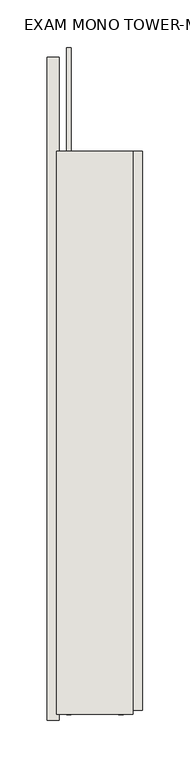
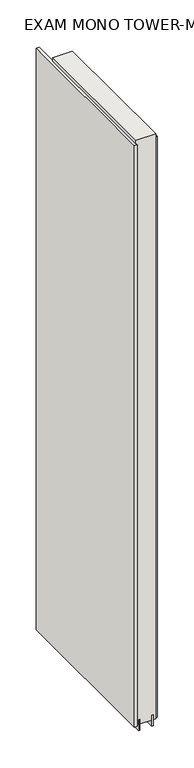
"""IFC4 building model written with IfcOpenShell, lengths in millimetres: wall geometry, EXAM MONO TOWER-MONO ACCENT MEDIA 392617 : EXAM MONO TOWER-MONO ACCENT MEDIA 392617."""

import ifcopenshell
import ifcopenshell.guid

model = None  # the IFC model being written
_history = None  # IfcOwnerHistory: only IFC2X3 demands one
_inside = {}  # id of a spatial element -> (the spatial element, [elements in it])
_under = {}  # id of a project, library or spatial element -> (it, [spatial elements below it])
_declared = {}  # id of a project -> (the project, [libraries it declares])
_typed = {}  # id of a type object -> (the type object, [elements of that type])
_made_of = {}  # id of a material, layer set ... -> (it, [elements and type objects made of it])


def new_model(schema):
    """Start an empty IFC model of exactly this schema.

    Asked for "IFC4X3", IfcOpenShell would pick the latest addendum, in which some entities
    have other attributes; the version numbers below select the first issue.
    IFC2X3 requires an IfcOwnerHistory on every rooted entity: one is made here for all.
    """
    global model, _history
    if schema == "IFC4X3":
        model = ifcopenshell.file(schema_version=(4, 3, 0, 0))
    else:
        model = ifcopenshell.file(schema=schema)
    _inside.clear()
    _under.clear()
    _declared.clear()
    _typed.clear()
    _made_of.clear()
    _history = None
    if model.schema == "IFC2X3":
        org = make("IfcOrganization", Name="unknown")
        user = make(
            "IfcPersonAndOrganization",
            ThePerson=make("IfcPerson", FamilyName="unknown"),
            TheOrganization=org,
        )
        app = make(
            "IfcApplication",
            ApplicationDeveloper=org,
            Version="unknown",
            ApplicationFullName="unknown",
            ApplicationIdentifier="unknown",
        )
        _history = make(
            "IfcOwnerHistory",
            OwningUser=user,
            OwningApplication=app,
            ChangeAction="ADDED",
            CreationDate=0,
        )
    return model


def make(cls, **values):
    """One entity of the class cls with the attributes given. An attribute that is None is left unset."""
    return model.create_entity(
        cls, **{name: value for name, value in values.items() if value is not None}
    )


def rooted(cls, **values):
    """An entity with a GlobalId (a new one), such as an element, a storey or a relation."""
    return make(cls, GlobalId=ifcopenshell.guid.new(), OwnerHistory=_history, **values)


def si_unit(unit_type, name, prefix=None):
    """IfcSIUnit, for example si_unit("LENGTHUNIT", "METRE", prefix="MILLI")."""
    return make("IfcSIUnit", UnitType=unit_type, Prefix=prefix, Name=name)


def assignment(units):
    """IfcUnitAssignment: the units of a project."""
    return None if units is None else make("IfcUnitAssignment", Units=units)


def point(xyz):
    """IfcCartesianPoint."""
    return None if xyz is None else make("IfcCartesianPoint", Coordinates=xyz)


def direction(xyz):
    """IfcDirection."""
    return None if xyz is None else make("IfcDirection", DirectionRatios=xyz)


def frame(location, z_axis=None, x_axis=None):
    """IfcAxis2Placement3D, a coordinate frame: its origin and axes. An axis left out is left unset."""
    return make(
        "IfcAxis2Placement3D",
        Location=point(location),
        Axis=direction(z_axis),
        RefDirection=direction(x_axis),
    )


def origin():
    """The frame at (0, 0, 0) with its axes left unset."""
    return frame((0.0, 0.0, 0.0))


def place(relative_to, where):
    """IfcLocalPlacement: puts the frame where relative to a parent placement (None: the world)."""
    return make(
        "IfcLocalPlacement", PlacementRelTo=relative_to, RelativePlacement=where
    )


def context(
    kind, dimensions, precision=None, world=None, true_north=None, identifier=None
):
    """IfcGeometricRepresentationContext, for example the 3D "Model" context."""
    return make(
        "IfcGeometricRepresentationContext",
        ContextIdentifier=identifier,
        ContextType=kind,
        CoordinateSpaceDimension=dimensions,
        Precision=precision,
        WorldCoordinateSystem=world,
        TrueNorth=true_north,
    )


def project(units=None, contexts=None):
    """IfcProject with its units and contexts."""
    return rooted(
        "IfcProject",
        Name="project",
        RepresentationContexts=contexts,
        UnitsInContext=assignment(units),
    )


def spatial(cls, under=None, at=None, **own):
    """A site, building, storey or space (cls), placed at a placement, below another one or the project."""
    s = rooted(cls, ObjectPlacement=at, **own)
    if under is not None:
        _under.setdefault(under.id(), (under, []))[1].append(s)
    return s


def polyline(points):
    """IfcPolyline through the points."""
    return make("IfcPolyline", Points=[point(p) for p in points])


def outline(outer, holes=None, kind="AREA"):
    """IfcArbitraryClosedProfileDef: a profile drawn as a closed curve; with holes, ...WithVoids."""
    if holes is None:
        return make("IfcArbitraryClosedProfileDef", ProfileType=kind, OuterCurve=outer)
    return make(
        "IfcArbitraryProfileDefWithVoids",
        ProfileType=kind,
        OuterCurve=outer,
        InnerCurves=holes,
    )


def extrude(swept, where, along, depth):
    """IfcExtrudedAreaSolid: the profile swept, set in the frame where, extruded along a direction by depth."""
    return make(
        "IfcExtrudedAreaSolid",
        SweptArea=swept,
        Position=where,
        ExtrudedDirection=direction(along),
        Depth=depth,
    )


def shape(context_of_items, identifier, shape_type, items):
    """IfcShapeRepresentation: the items that make up one representation, for example the "Body"."""
    return make(
        "IfcShapeRepresentation",
        ContextOfItems=context_of_items,
        RepresentationIdentifier=identifier,
        RepresentationType=shape_type,
        Items=items,
    )


def source(mapping_origin, context_of_items, identifier, shape_type, items):
    """IfcRepresentationMap: a shape defined once, which mapped items show again and again."""
    return make(
        "IfcRepresentationMap",
        MappingOrigin=mapping_origin,
        MappedRepresentation=shape(context_of_items, identifier, shape_type, items),
    )


def transform(
    local_origin,
    x_axis=None,
    y_axis=None,
    z_axis=None,
    scale=None,
    scale2=None,
    scale3=None,
    uniform=True,
):
    """IfcCartesianTransformationOperator3D, or its non-uniform kind. x_axis, y_axis, z_axis: its Axis1, 2, 3."""
    if uniform:
        return make(
            "IfcCartesianTransformationOperator3D",
            Axis1=direction(x_axis),
            Axis2=direction(y_axis),
            LocalOrigin=point(local_origin),
            Scale=scale,
            Axis3=direction(z_axis),
        )
    return make(
        "IfcCartesianTransformationOperator3DnonUniform",
        Axis1=direction(x_axis),
        Axis2=direction(y_axis),
        LocalOrigin=point(local_origin),
        Scale=scale,
        Axis3=direction(z_axis),
        Scale2=scale2,
        Scale3=scale3,
    )


def mapped(mapping_source, mapping_target):
    """IfcMappedItem: shows the shape of a source again, moved by a transform."""
    return make(
        "IfcMappedItem", MappingSource=mapping_source, MappingTarget=mapping_target
    )


def made_of(thing, what):
    """Note that an element or type object is made of a material, layer set ...; save() writes the relation."""
    if what is not None:
        _made_of.setdefault(what.id(), (what, []))[1].append(thing)
    return thing


def element(
    cls,
    number,
    at=None,
    inside=None,
    cuts=None,
    type_object=None,
    material=None,
    context=None,
    identifier="Body",
    shape_type=None,
    held_by="IfcProductDefinitionShape",
    body=None,
    shapes=None,
    **own,
):
    """One element of the class cls, such as IfcWall. Its Tag is "e" and its number.

    at: its placement. inside: the storey or other place that contains it. cuts: it is an
    opening in that element (IfcRelVoidsElement). A single representation is given by context,
    identifier, shape_type and body (its items); several are given by shapes. held_by: the class
    of the entity that holds the representations. save() writes the other relations.
    """
    e = rooted(cls, Tag="e%d" % number, ObjectPlacement=at, **own)
    if body is not None:
        shapes = [shape(context, identifier, shape_type, body)]
    if shapes is not None:
        e.Representation = make(held_by, Representations=shapes)
    if inside is not None:
        _inside.setdefault(inside.id(), (inside, []))[1].append(e)
    if cuts is not None:
        rooted(
            "IfcRelVoidsElement", RelatingBuildingElement=cuts, RelatedOpeningElement=e
        )
    if type_object is not None:
        _typed.setdefault(type_object.id(), (type_object, []))[1].append(e)
    return made_of(e, material)


def aggregate(whole, parts):
    """IfcRelAggregates: a whole, such as a stair, and the parts it consists of."""
    return rooted("IfcRelAggregates", RelatingObject=whole, RelatedObjects=parts)


def save(model, path):
    """Write the relations noted so far, then the file.

    IfcRelAggregates (storeys below a building ...), IfcRelContainedInSpatialStructure (elements
    in a storey), IfcRelDefinesByType, IfcRelAssociatesMaterial and IfcRelDeclares: one each for
    every whole, place, type object, material and project.
    """
    for whole, parts in _under.values():
        aggregate(whole, parts)
    for where, things in _inside.values():
        rooted(
            "IfcRelContainedInSpatialStructure",
            RelatedElements=things,
            RelatingStructure=where,
        )
    for kind, things in _typed.values():
        rooted("IfcRelDefinesByType", RelatedObjects=things, RelatingType=kind)
    for what, things in _made_of.values():
        rooted("IfcRelAssociatesMaterial", RelatedObjects=things, RelatingMaterial=what)
    for by, libraries in _declared.values():
        rooted("IfcRelDeclares", RelatingContext=by, RelatedDefinitions=libraries)
    model.write(path)


def exam_mono_tower_mono_accent_media_392617_exam_mono_tower_8a468b53(model_context):
    return source(origin(), model_context, "Body", "SweptSolid", [
        extrude(outline(polyline([(78033.282211, -42658.4516908), (78033.282211, -42660.9916908), (78030.742211, -42660.9916908), (78030.742211, -42658.4516908), (78033.282211, -42658.4516908)])), frame((0.0, 0.0, 4419.6), z_axis=(0.0, 0.0, 1.0), x_axis=(1.0, 0.0, 0.0)), (0.0, 0.0, 1.0), 2.54),
        extrude(outline(polyline([(77981.212211, -43261.7881778), (77981.212211, -42558.2881878), (77993.912211, -42558.2881878), (77993.912211, -43261.7881778), (77981.212211, -43261.7881778)])), frame((0.0, 0.0, 4445.0), z_axis=(0.0, 0.0, 1.0), x_axis=(1.0, 0.0, 0.0)), (0.0, 0.0, 1.0), 2545.0498756),
        extrude(outline(polyline([(78082.812211, -42657.988598), (78082.812211, -43250.8885552), (78070.112211, -43250.8885552), (78070.112211, -42657.988598), (78082.812211, -42657.988598)])), frame((0.0, 0.0, 4445.0), z_axis=(0.0, 0.0, 1.0), x_axis=(1.0, 0.0, 0.0)), (0.0, 0.0, 1.0), 2545.0498756),
        extrude(outline(polyline([(78006.9284664, -42547.8463494), (78006.9284664, -43255.3628414), (78001.849711, -43255.3628414), (78001.849711, -42547.8463494), (78006.9284664, -42547.8463494)])), frame((0.0, 0.0, 4418.6602), z_axis=(0.0, 0.0, 1.0), x_axis=(1.0, 0.0, 0.0)), (0.0, 0.0, 1.0), 47.625),
        extrude(outline(polyline([(78006.9284664, -42547.8463494), (78006.9284664, -43255.3628414), (78001.849711, -43255.3628414), (78001.849711, -42547.8463494), (78006.9284664, -42547.8463494)])), frame((0.0, 0.0, 4418.6602), z_axis=(0.0, 0.0, 1.0), x_axis=(1.0, 0.0, 0.0)), (0.0, 0.0, 1.0), 47.625),
        extrude(outline(polyline([(78057.0959556, -43255.3628414), (78057.0959556, -42658.4628414), (78062.174711, -42658.4628414), (78062.174711, -43255.3628414), (78057.0959556, -43255.3628414)])), frame((0.0, 0.0, 4418.6602), z_axis=(0.0, 0.0, 1.0), x_axis=(1.0, 0.0, 0.0)), (0.0, 0.0, 1.0), 47.625),
        extrude(outline(polyline([(78057.0959556, -43255.3628414), (78057.0959556, -42658.4628414), (78062.174711, -42658.4628414), (78062.174711, -43255.3628414), (78057.0959556, -43255.3628414)])), frame((0.0, 0.0, 4418.6602), z_axis=(0.0, 0.0, 1.0), x_axis=(1.0, 0.0, 0.0)), (0.0, 0.0, 1.0), 47.625),
        extrude(outline(polyline([(77991.3573266, -42658.4628414), (78072.6670954, -42658.4628414), (78072.6670954, -43255.3628414), (77991.3573266, -43255.3628414), (77991.3573266, -42658.4628414)])), frame((0.0, 0.0, 4445.0), z_axis=(0.0, 0.0, 1.0), x_axis=(1.0, 0.0, 0.0)), (0.0, 0.0, 1.0), 2562.4536762),
    ])


if __name__ == "__main__":
    model = new_model("IFC4")
    model_context = context("Model", 3, world=origin())
    ifc_project = project(units=[si_unit("LENGTHUNIT", "METRE", prefix="MILLI")], contexts=[model_context])
    site = spatial("IfcSite", under=ifc_project)
    building = spatial("IfcBuilding", under=site)
    placement = place(None, origin())
    exam_mono_tower_mono_accent_media_392617_exam_mono_tower_shape = exam_mono_tower_mono_accent_media_392617_exam_mono_tower_8a468b53(model_context)
    element("IfcWall", 1, ObjectType="EXAM MONO TOWER-MONO ACCENT MEDIA 392617 : EXAM MONO TOWER-MONO ACCENT MEDIA 392617", at=placement, inside=building, context=model_context, shape_type="MappedRepresentation", body=[
        mapped(exam_mono_tower_mono_accent_media_392617_exam_mono_tower_shape, transform((0.0, 0.0, 0.0), x_axis=(1.0, 0.0, 0.0), y_axis=(0.0, 1.0, 0.0), z_axis=(0.0, 0.0, 1.0))),
    ])
    save(model, "model.ifc")
